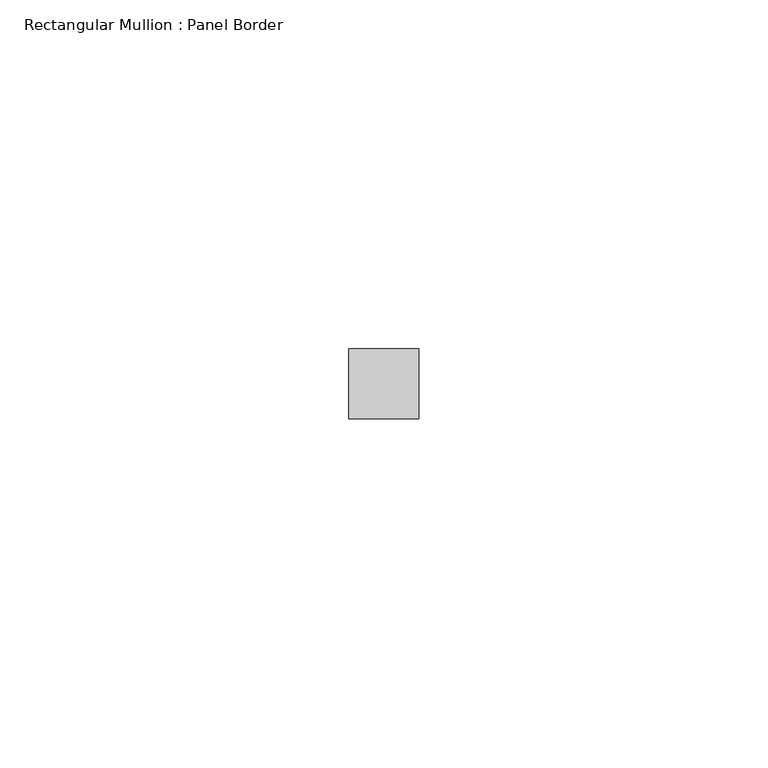
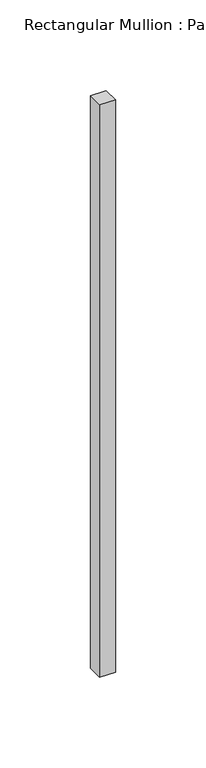
"""IFC4 building model written with IfcOpenShell, lengths in millimetres: member geometry, Rectangular Mullion : Panel Border."""

from ifc_helpers import new_model, si_unit, frame, origin, place, context, project, spatial, polyline, outline, extrude, source, transform, mapped, element, save


def rectangular_mullion_panel_border_25395a37(model_context):
    return source(origin(), model_context, "Body", "SweptSolid", [
        extrude(outline(polyline([(5.0, 5.5), (5.0, -4.5), (-5.0, -4.5), (-5.0, 5.5), (5.0, 5.5)])), frame((0.0, 0.0, -385.0), z_axis=(0.0, 0.0, 1.0), x_axis=(1.0, 0.0, 0.0)), (0.0, 0.0, 1.0), 385.0),
    ])


if __name__ == "__main__":
    model = new_model("IFC4")
    model_context = context("Model", 3, world=origin())
    ifc_project = project(units=[si_unit("LENGTHUNIT", "METRE", prefix="MILLI")], contexts=[model_context])
    site = spatial("IfcSite", under=ifc_project)
    building = spatial("IfcBuilding", under=site)
    placement = place(None, origin())
    rectangular_mullion_panel_border_shape = rectangular_mullion_panel_border_25395a37(model_context)
    element("IfcMember", 1, ObjectType="Rectangular Mullion : Panel Border", at=placement, inside=building, context=model_context, shape_type="MappedRepresentation", body=[
        mapped(rectangular_mullion_panel_border_shape, transform((0.0, 0.0, 0.0), x_axis=(1.0, 0.0, 0.0), y_axis=(0.0, 1.0, 0.0), z_axis=(0.0, 0.0, 1.0))),
    ])
    save(model, "model.ifc")
